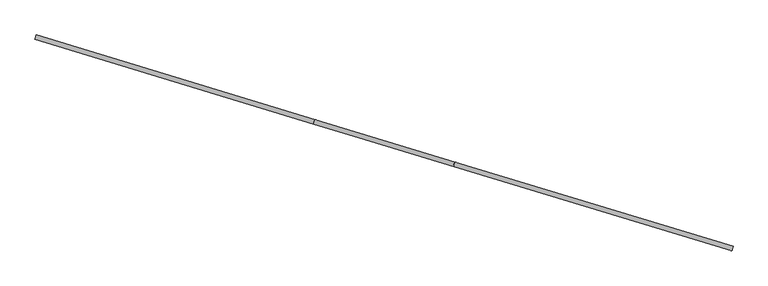
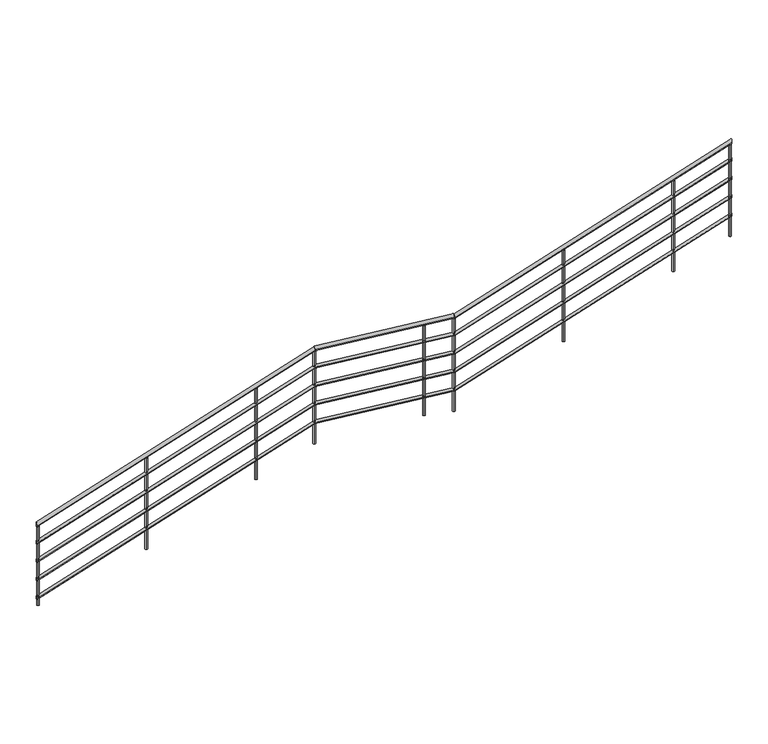
"""IFC4 building model written with IfcOpenShell, lengths in millimetres: railing geometry."""

import ifcopenshell
import ifcopenshell.guid

model = None  # the IFC model being written
_history = None  # IfcOwnerHistory: only IFC2X3 demands one
_inside = {}  # id of a spatial element -> (the spatial element, [elements in it])
_under = {}  # id of a project, library or spatial element -> (it, [spatial elements below it])
_declared = {}  # id of a project -> (the project, [libraries it declares])
_typed = {}  # id of a type object -> (the type object, [elements of that type])
_made_of = {}  # id of a material, layer set ... -> (it, [elements and type objects made of it])


def new_model(schema):
    """Start an empty IFC model of exactly this schema.

    Asked for "IFC4X3", IfcOpenShell would pick the latest addendum, in which some entities
    have other attributes; the version numbers below select the first issue.
    IFC2X3 requires an IfcOwnerHistory on every rooted entity: one is made here for all.
    """
    global model, _history
    if schema == "IFC4X3":
        model = ifcopenshell.file(schema_version=(4, 3, 0, 0))
    else:
        model = ifcopenshell.file(schema=schema)
    _inside.clear()
    _under.clear()
    _declared.clear()
    _typed.clear()
    _made_of.clear()
    _history = None
    if model.schema == "IFC2X3":
        org = make("IfcOrganization", Name="unknown")
        user = make(
            "IfcPersonAndOrganization",
            ThePerson=make("IfcPerson", FamilyName="unknown"),
            TheOrganization=org,
        )
        app = make(
            "IfcApplication",
            ApplicationDeveloper=org,
            Version="unknown",
            ApplicationFullName="unknown",
            ApplicationIdentifier="unknown",
        )
        _history = make(
            "IfcOwnerHistory",
            OwningUser=user,
            OwningApplication=app,
            ChangeAction="ADDED",
            CreationDate=0,
        )
    return model


def make(cls, **values):
    """One entity of the class cls with the attributes given. An attribute that is None is left unset."""
    return model.create_entity(
        cls, **{name: value for name, value in values.items() if value is not None}
    )


def rooted(cls, **values):
    """An entity with a GlobalId (a new one), such as an element, a storey or a relation."""
    return make(cls, GlobalId=ifcopenshell.guid.new(), OwnerHistory=_history, **values)


def si_unit(unit_type, name, prefix=None):
    """IfcSIUnit, for example si_unit("LENGTHUNIT", "METRE", prefix="MILLI")."""
    return make("IfcSIUnit", UnitType=unit_type, Prefix=prefix, Name=name)


def assignment(units):
    """IfcUnitAssignment: the units of a project."""
    return None if units is None else make("IfcUnitAssignment", Units=units)


def point(xyz):
    """IfcCartesianPoint."""
    return None if xyz is None else make("IfcCartesianPoint", Coordinates=xyz)


def direction(xyz):
    """IfcDirection."""
    return None if xyz is None else make("IfcDirection", DirectionRatios=xyz)


def frame(location, z_axis=None, x_axis=None):
    """IfcAxis2Placement3D, a coordinate frame: its origin and axes. An axis left out is left unset."""
    return make(
        "IfcAxis2Placement3D",
        Location=point(location),
        Axis=direction(z_axis),
        RefDirection=direction(x_axis),
    )


def origin():
    """The frame at (0, 0, 0) with its axes left unset."""
    return frame((0.0, 0.0, 0.0))


def place(relative_to, where):
    """IfcLocalPlacement: puts the frame where relative to a parent placement (None: the world)."""
    return make(
        "IfcLocalPlacement", PlacementRelTo=relative_to, RelativePlacement=where
    )


def context(
    kind, dimensions, precision=None, world=None, true_north=None, identifier=None
):
    """IfcGeometricRepresentationContext, for example the 3D "Model" context."""
    return make(
        "IfcGeometricRepresentationContext",
        ContextIdentifier=identifier,
        ContextType=kind,
        CoordinateSpaceDimension=dimensions,
        Precision=precision,
        WorldCoordinateSystem=world,
        TrueNorth=true_north,
    )


def project(units=None, contexts=None):
    """IfcProject with its units and contexts."""
    return rooted(
        "IfcProject",
        Name="project",
        RepresentationContexts=contexts,
        UnitsInContext=assignment(units),
    )


def spatial(cls, under=None, at=None, **own):
    """A site, building, storey or space (cls), placed at a placement, below another one or the project."""
    s = rooted(cls, ObjectPlacement=at, **own)
    if under is not None:
        _under.setdefault(under.id(), (under, []))[1].append(s)
    return s


def circle_curve(where, radius):
    """IfcCircle in the frame where."""
    return make("IfcCircle", Position=where, Radius=radius)


def ellipse_curve(where, semi_axis1, semi_axis2):
    """IfcEllipse in the frame where."""
    return make(
        "IfcEllipse", Position=where, SemiAxis1=semi_axis1, SemiAxis2=semi_axis2
    )


def shape(context_of_items, identifier, shape_type, items):
    """IfcShapeRepresentation: the items that make up one representation, for example the "Body"."""
    return make(
        "IfcShapeRepresentation",
        ContextOfItems=context_of_items,
        RepresentationIdentifier=identifier,
        RepresentationType=shape_type,
        Items=items,
    )


def source(mapping_origin, context_of_items, identifier, shape_type, items):
    """IfcRepresentationMap: a shape defined once, which mapped items show again and again."""
    return make(
        "IfcRepresentationMap",
        MappingOrigin=mapping_origin,
        MappedRepresentation=shape(context_of_items, identifier, shape_type, items),
    )


def transform(
    local_origin,
    x_axis=None,
    y_axis=None,
    z_axis=None,
    scale=None,
    scale2=None,
    scale3=None,
    uniform=True,
):
    """IfcCartesianTransformationOperator3D, or its non-uniform kind. x_axis, y_axis, z_axis: its Axis1, 2, 3."""
    if uniform:
        return make(
            "IfcCartesianTransformationOperator3D",
            Axis1=direction(x_axis),
            Axis2=direction(y_axis),
            LocalOrigin=point(local_origin),
            Scale=scale,
            Axis3=direction(z_axis),
        )
    return make(
        "IfcCartesianTransformationOperator3DnonUniform",
        Axis1=direction(x_axis),
        Axis2=direction(y_axis),
        LocalOrigin=point(local_origin),
        Scale=scale,
        Axis3=direction(z_axis),
        Scale2=scale2,
        Scale3=scale3,
    )


def mapped(mapping_source, mapping_target):
    """IfcMappedItem: shows the shape of a source again, moved by a transform."""
    return make(
        "IfcMappedItem", MappingSource=mapping_source, MappingTarget=mapping_target
    )


def made_of(thing, what):
    """Note that an element or type object is made of a material, layer set ...; save() writes the relation."""
    if what is not None:
        _made_of.setdefault(what.id(), (what, []))[1].append(thing)
    return thing


def element(
    cls,
    number,
    at=None,
    inside=None,
    cuts=None,
    type_object=None,
    material=None,
    context=None,
    identifier="Body",
    shape_type=None,
    held_by="IfcProductDefinitionShape",
    body=None,
    shapes=None,
    **own,
):
    """One element of the class cls, such as IfcWall. Its Tag is "e" and its number.

    at: its placement. inside: the storey or other place that contains it. cuts: it is an
    opening in that element (IfcRelVoidsElement). A single representation is given by context,
    identifier, shape_type and body (its items); several are given by shapes. held_by: the class
    of the entity that holds the representations. save() writes the other relations.
    """
    e = rooted(cls, Tag="e%d" % number, ObjectPlacement=at, **own)
    if body is not None:
        shapes = [shape(context, identifier, shape_type, body)]
    if shapes is not None:
        e.Representation = make(held_by, Representations=shapes)
    if inside is not None:
        _inside.setdefault(inside.id(), (inside, []))[1].append(e)
    if cuts is not None:
        rooted(
            "IfcRelVoidsElement", RelatingBuildingElement=cuts, RelatedOpeningElement=e
        )
    if type_object is not None:
        _typed.setdefault(type_object.id(), (type_object, []))[1].append(e)
    return made_of(e, material)


def aggregate(whole, parts):
    """IfcRelAggregates: a whole, such as a stair, and the parts it consists of."""
    return rooted("IfcRelAggregates", RelatingObject=whole, RelatedObjects=parts)


def save(model, path):
    """Write the relations noted so far, then the file.

    IfcRelAggregates (storeys below a building ...), IfcRelContainedInSpatialStructure (elements
    in a storey), IfcRelDefinesByType, IfcRelAssociatesMaterial and IfcRelDeclares: one each for
    every whole, place, type object, material and project.
    """
    for whole, parts in _under.values():
        aggregate(whole, parts)
    for where, things in _inside.values():
        rooted(
            "IfcRelContainedInSpatialStructure",
            RelatedElements=things,
            RelatingStructure=where,
        )
    for kind, things in _typed.values():
        rooted("IfcRelDefinesByType", RelatedObjects=things, RelatingType=kind)
    for what, things in _made_of.values():
        rooted("IfcRelAssociatesMaterial", RelatedObjects=things, RelatingMaterial=what)
    for by, libraries in _declared.values():
        rooted("IfcRelDeclares", RelatingContext=by, RelatedDefinitions=libraries)
    model.write(path)


def plane_surface(at):
    """IfcPlane: the flat surface through the origin of the frame at, square to its z axis."""
    return make("IfcPlane", Position=at)


def cylinder_surface(at, radius):
    """IfcCylindricalSurface: all points at the distance radius from the z axis of the frame at."""
    return make("IfcCylindricalSurface", Position=at, Radius=radius)


def advanced_brep(points, edges, surfaces, faces):
    """IfcAdvancedBrep: a solid bounded by faces that lie on surfaces and meet in shared edges.

    An edge is (start, end): straight between two places in points (the first is 0);
    or (start, end, curve); or (start, end, curve, False) where it runs against its curve.
    A face is (place in surfaces, loops), or (place, loops, False) where it looks against
    its surface's normal. A loop lists edges by number (the first is 1), with a minus sign
    where the edge is run from its end to its start. The first loop is the outer one.
    """
    corners = [point(p) for p in points]
    vertices = [make("IfcVertexPoint", VertexGeometry=c) for c in corners]
    made = []
    for start, end, *more in edges:
        made.append(
            make(
                "IfcEdgeCurve",
                EdgeStart=vertices[start],
                EdgeEnd=vertices[end],
                EdgeGeometry=more[0] if more else make("IfcPolyline", Points=[corners[start], corners[end]]),
                SameSense=more[1] if len(more) > 1 else True,
            )
        )
    hull = []
    for where, loops, *sense in faces:
        bounds = []
        for j, loop in enumerate(loops):
            ring = [make("IfcOrientedEdge", EdgeElement=made[abs(k) - 1], Orientation=k > 0) for k in loop]
            bounds.append(
                make(
                    "IfcFaceOuterBound" if j == 0 else "IfcFaceBound",
                    Bound=make("IfcEdgeLoop", EdgeList=ring),
                    Orientation=True,
                )
            )
        hull.append(make("IfcAdvancedFace", Bounds=bounds, FaceSurface=surfaces[where], SameSense=sense[0] if sense else True))
    return make("IfcAdvancedBrep", Outer=make("IfcClosedShell", CfsFaces=hull))


def railing_dc6198eb(model_context):
    return source(origin(), model_context, "Body", "AdvancedBrep", [
        advanced_brep(
        [(-3825.4337362, 2800.863721, 1022.1150122), (-3813.8138203, 2839.1387462, 1022.1150122), (-1397.9021377, 2063.8893352, 2525.9994352), (-1386.2822218, 2102.1643604, 2525.9994352)],
        [
            (0, 1, ellipse_curve(frame((-3819.6237783, 2820.0012336, 1022.1150122), z_axis=(-0.9568756296362242, 0.2904978991460692, 0.0), x_axis=(0.0, 0.0, -1.0)), 23.2500045, 20.0)),
            (1, 0, ellipse_curve(frame((-3819.6237783, 2820.0012336, 1022.1150122), z_axis=(-0.9568756296362242, 0.2904978991460692, 0.0), x_axis=(0.0, 0.0, -1.0)), 23.2500045, 20.0)),
            (2, 3, ellipse_curve(frame((-1392.0921798, 2083.0268478, 2525.9994352), z_axis=(0.9063932693106923, -0.275171957963852, 0.32051776066017745), x_axis=(0.3066956340413, -0.09310973611078442, -0.9472425059621137)), 20.4441643, 20.0)),
            (3, 2, ellipse_curve(frame((-1392.0921798, 2083.0268478, 2525.9994352), z_axis=(0.9063932693106923, -0.275171957963852, 0.32051776066017745), x_axis=(0.3066956340413, -0.09310973611078442, -0.9472425059621137)), 20.4441643, 20.0)),
            (0, 2),
            (3, 1),
        ],
        [
            plane_surface(frame((-3819.6237783, 2820.0012336, 1045.3650167), z_axis=(-0.9568756296362242, 0.2904978991460692, 0.0), x_axis=(0.2904978991460692, 0.9568756296362242, 0.0))),
            plane_surface(frame((-1398.3623157, 2084.9303985, 2545.3650167), z_axis=(0.9063932693106925, -0.2751719579638521, 0.3205177606601775), x_axis=(0.42243489598786077, 0.590419998372122, -0.6877157728116964))),
            cylinder_surface(frame((-3809.8649538, 2817.0385518, 1028.1607189), z_axis=(-0.8231186622998938, 0.24989061769390675, -0.5099317081356984), x_axis=(0.2904978991460692, 0.9568756296362241, 0.0)), 20.0),
        ],
        [
            (0, [[1, 2]]),
            (1, [[3, 4]]),
            (2, [[-1, 5, -4, 6]]),
            (2, [[-2, -6, -3, -5]]),
        ],
    ),
        advanced_brep(
        [(-1397.9021377, 2063.8893352, 2529.7118745), (-1386.2822218, 2102.1643604, 2529.7118745), (-181.4283716, 1694.5800305, 2679.7118745), (-169.8084556, 1732.8550557, 2679.7118745)],
        [
            (0, 1, ellipse_curve(frame((-1392.0921798, 2083.0268478, 2529.7118745), z_axis=(-0.9063932693106923, 0.275171957963852, -0.32051776066017745), x_axis=(-0.30669563404130007, 0.09310973611078417, 0.9472425059621139)), 20.4441643, 20.0)),
            (1, 0, ellipse_curve(frame((-1392.0921798, 2083.0268478, 2529.7118745), z_axis=(-0.9063932693106923, 0.275171957963852, -0.32051776066017745), x_axis=(-0.30669563404130007, 0.09310973611078417, 0.9472425059621139)), 20.4441643, 20.0)),
            (2, 3, ellipse_curve(frame((-175.6184136, 1713.7175431, 2679.7118745), z_axis=(0.9063932693106924, -0.27517195796385197, 0.3205177606601775), x_axis=(-0.30669563404129946, 0.09310973611078441, 0.947242505962114)), 20.4441643, 20.0)),
            (3, 2, ellipse_curve(frame((-175.6184136, 1713.7175431, 2679.7118745), z_axis=(0.9063932693106924, -0.27517195796385197, 0.3205177606601775), x_axis=(-0.30669563404129946, 0.09310973611078441, 0.947242505962114)), 20.4441643, 20.0)),
            (0, 2),
            (3, 1),
        ],
        [
            plane_surface(frame((-1398.3623157, 2084.9303985, 2549.0774559), z_axis=(-0.9063932693106925, 0.2751719579638521, -0.3205177606601775), x_axis=(0.42243489598786077, 0.590419998372122, -0.6877157728116964))),
            plane_surface(frame((-181.8885495, 1715.6210938, 2699.0774559), z_axis=(0.9063932693106924, -0.27517195796385197, 0.3205177606601775), x_axis=(0.42243489598786077, 0.590419998372122, -0.6877157728116965))),
            cylinder_surface(frame((-1396.1198422, 2084.2496059, 2529.2152347), z_axis=(-0.9502837746475272, 0.2884966777058075, -0.11717685178549297), x_axis=(0.29049789914606927, 0.9568756296362241, 0.0)), 20.0),
        ],
        [
            (0, [[1, 2]]),
            (1, [[3, 4]]),
            (2, [[-1, 5, -4, 6]]),
            (2, [[-2, -6, -3, -5]]),
        ],
    ),
        advanced_brep(
        [(-181.4283716, 1694.5800305, 2675.9994352), (-169.8084556, 1732.8550557, 2675.9994352), (2233.5629551, 961.4127462, 4172.1150122), (2245.182871, 999.6877713, 4172.1150122)],
        [
            (0, 1, ellipse_curve(frame((-175.6184136, 1713.7175431, 2675.9994352), z_axis=(-0.9063932693106924, 0.27517195796385197, -0.3205177606601775), x_axis=(0.3066956340413009, -0.09310973611078492, -0.9472425059621133)), 20.4441643, 20.0)),
            (1, 0, ellipse_curve(frame((-175.6184136, 1713.7175431, 2675.9994352), z_axis=(-0.9063932693106924, 0.27517195796385197, -0.3205177606601775), x_axis=(0.3066956340413009, -0.09310973611078492, -0.9472425059621133)), 20.4441643, 20.0)),
            (2, 3, ellipse_curve(frame((2239.372913, 980.5502587, 4172.1150122), z_axis=(0.9568756296362242, -0.2904978991460691, 0.0), x_axis=(0.0, 0.0, -1.0)), 23.2500045, 20.0)),
            (3, 2, ellipse_curve(frame((2239.372913, 980.5502587, 4172.1150122), z_axis=(0.9568756296362242, -0.2904978991460691, 0.0), x_axis=(0.0, 0.0, -1.0)), 23.2500045, 20.0)),
            (0, 2),
            (3, 1),
        ],
        [
            plane_surface(frame((-181.8885495, 1715.6210938, 2695.3650167), z_axis=(-0.9063932693106924, 0.27517195796385197, -0.3205177606601775), x_axis=(0.42243489598786077, 0.590419998372122, -0.6877157728116965))),
            plane_surface(frame((2239.372913, 980.5502587, 4195.3650167), z_axis=(0.9568756296362242, -0.2904978991460691, 0.0), x_axis=(0.2904978991460691, 0.9568756296362242, 0.0))),
            cylinder_surface(frame((-172.129725, 1712.658412, 2678.1607189), z_axis=(-0.8231186622998939, 0.24989061769390666, -0.5099317081356983), x_axis=(0.2904978991460691, 0.9568756296362241, 0.0)), 20.0),
        ],
        [
            (0, [[1, 2]]),
            (1, [[3, 4]]),
            (2, [[-1, 5, -4, 6]]),
            (2, [[-2, -6, -3, -5]]),
        ],
    ),
        advanced_brep(
        [(-3823.9812467, 2805.6480992, 827.9275133), (-3815.2663098, 2834.354368, 827.9275133), (-1398.0171822, 2069.149601, 2330.8408306), (-1389.3022452, 2097.8558699, 2330.8408306)],
        [
            (0, 1, ellipse_curve(frame((-3819.6237783, 2820.0012336, 827.9275133), z_axis=(-0.9568756296362242, 0.2904978991460692, 0.0), x_axis=(0.0, 0.0, -1.0)), 17.4375034, 15.0)),
            (1, 0, ellipse_curve(frame((-3819.6237783, 2820.0012336, 827.9275133), z_axis=(-0.9568756296362242, 0.2904978991460692, 0.0), x_axis=(0.0, 0.0, -1.0)), 17.4375034, 15.0)),
            (2, 3, ellipse_curve(frame((-1393.6597137, 2083.5027355, 2330.8408306), z_axis=(0.9063932693106923, -0.275171957963852, 0.32051776066017745), x_axis=(0.3066956340413, -0.09310973611078442, -0.9472425059621137)), 15.3331232, 15.0)),
            (3, 2, ellipse_curve(frame((-1393.6597137, 2083.5027355, 2330.8408306), z_axis=(0.9063932693106923, -0.275171957963852, 0.32051776066017745), x_axis=(0.3066956340413, -0.09310973611078442, -0.9472425059621137)), 15.3331232, 15.0)),
            (0, 2),
            (3, 1),
        ],
        [
            plane_surface(frame((-3819.6237783, 2820.0012336, 845.3650167), z_axis=(-0.9568756296362242, 0.2904978991460692, 0.0), x_axis=(0.2904978991460692, 0.9568756296362242, 0.0))),
            plane_surface(frame((-1398.3623157, 2084.9303985, 2345.3650167), z_axis=(0.9063932693106925, -0.2751719579638521, 0.3205177606601775), x_axis=(0.42243489598786077, 0.590419998372122, -0.6877157728116964))),
            cylinder_surface(frame((-3812.3046599, 2817.7792223, 832.4617933), z_axis=(-0.8231186622998938, 0.24989061769390675, -0.5099317081356984), x_axis=(0.2904978991460692, 0.9568756296362241, 0.0)), 15.0),
        ],
        [
            (0, [[1, 2]]),
            (1, [[3, 4]]),
            (2, [[-1, 5, -4, 6]]),
            (2, [[-2, -6, -3, -5]]),
        ],
    ),
        advanced_brep(
        [(-1398.0171822, 2069.149601, 2334.5532699), (-1389.3022452, 2097.8558699, 2334.5532699), (-181.5434161, 1699.8402963, 2484.5532699), (-172.8284791, 1728.5465652, 2484.5532699)],
        [
            (0, 1, ellipse_curve(frame((-1393.6597137, 2083.5027355, 2334.5532699), z_axis=(-0.9063932693106923, 0.275171957963852, -0.32051776066017745), x_axis=(-0.30669563404130007, 0.09310973611078417, 0.9472425059621139)), 15.3331232, 15.0)),
            (1, 0, ellipse_curve(frame((-1393.6597137, 2083.5027355, 2334.5532699), z_axis=(-0.9063932693106923, 0.275171957963852, -0.32051776066017745), x_axis=(-0.30669563404130007, 0.09310973611078417, 0.9472425059621139)), 15.3331232, 15.0)),
            (2, 3, ellipse_curve(frame((-177.1859476, 1714.1934308, 2484.5532699), z_axis=(0.9063932693106924, -0.27517195796385197, 0.3205177606601775), x_axis=(-0.30669563404129946, 0.09310973611078441, 0.947242505962114)), 15.3331232, 15.0)),
            (3, 2, ellipse_curve(frame((-177.1859476, 1714.1934308, 2484.5532699), z_axis=(0.9063932693106924, -0.27517195796385197, 0.3205177606601775), x_axis=(-0.30669563404129946, 0.09310973611078441, 0.947242505962114)), 15.3331232, 15.0)),
            (0, 2),
            (3, 1),
        ],
        [
            plane_surface(frame((-1398.3623157, 2084.9303985, 2349.0774559), z_axis=(-0.9063932693106925, 0.2751719579638521, -0.3205177606601775), x_axis=(0.42243489598786077, 0.590419998372122, -0.6877157728116964))),
            plane_surface(frame((-181.8885495, 1715.6210938, 2499.0774559), z_axis=(0.9063932693106924, -0.27517195796385197, 0.3205177606601775), x_axis=(0.42243489598786077, 0.590419998372122, -0.6877157728116965))),
            cylinder_surface(frame((-1396.6804606, 2084.4198041, 2334.18079), z_axis=(-0.9502837746475272, 0.2884966777058075, -0.11717685178549297), x_axis=(0.29049789914606927, 0.9568756296362241, 0.0)), 15.0),
        ],
        [
            (0, [[1, 2]]),
            (1, [[3, 4]]),
            (2, [[-1, 5, -4, 6]]),
            (2, [[-2, -6, -3, -5]]),
        ],
    ),
        advanced_brep(
        [(-181.5434161, 1699.8402963, 2480.8408306), (-172.8284791, 1728.5465652, 2480.8408306), (2235.0154445, 966.1971243, 3977.9275133), (2243.7303815, 994.9033932, 3977.9275133)],
        [
            (0, 1, ellipse_curve(frame((-177.1859476, 1714.1934308, 2480.8408306), z_axis=(-0.9063932693106924, 0.27517195796385197, -0.3205177606601775), x_axis=(0.3066956340413009, -0.09310973611078492, -0.9472425059621133)), 15.3331232, 15.0)),
            (1, 0, ellipse_curve(frame((-177.1859476, 1714.1934308, 2480.8408306), z_axis=(-0.9063932693106924, 0.27517195796385197, -0.3205177606601775), x_axis=(0.3066956340413009, -0.09310973611078492, -0.9472425059621133)), 15.3331232, 15.0)),
            (2, 3, ellipse_curve(frame((2239.372913, 980.5502587, 3977.9275133), z_axis=(0.9568756296362242, -0.2904978991460691, 0.0), x_axis=(0.0, 0.0, -1.0)), 17.4375034, 15.0)),
            (3, 2, ellipse_curve(frame((2239.372913, 980.5502587, 3977.9275133), z_axis=(0.9568756296362242, -0.2904978991460691, 0.0), x_axis=(0.0, 0.0, -1.0)), 17.4375034, 15.0)),
            (0, 2),
            (3, 1),
        ],
        [
            plane_surface(frame((-181.8885495, 1715.6210938, 2495.3650167), z_axis=(-0.9063932693106924, 0.27517195796385197, -0.3205177606601775), x_axis=(0.42243489598786077, 0.590419998372122, -0.6877157728116965))),
            plane_surface(frame((2239.372913, 980.5502587, 3995.3650167), z_axis=(0.9568756296362242, -0.2904978991460691, 0.0), x_axis=(0.2904978991460691, 0.9568756296362242, 0.0))),
            cylinder_surface(frame((-174.5694312, 1713.3990825, 2482.4617933), z_axis=(-0.8231186622998939, 0.24989061769390666, -0.5099317081356983), x_axis=(0.2904978991460691, 0.9568756296362241, 0.0)), 15.0),
        ],
        [
            (0, [[1, 2]]),
            (1, [[3, 4]]),
            (2, [[-1, 5, -4, 6]]),
            (2, [[-2, -6, -3, -5]]),
        ],
    ),
        advanced_brep(
        [(-3823.9812467, 2805.6480992, 627.9275133), (-3815.2663098, 2834.354368, 627.9275133), (-1398.0171822, 2069.149601, 2130.8408306), (-1389.3022452, 2097.8558699, 2130.8408306)],
        [
            (0, 1, ellipse_curve(frame((-3819.6237783, 2820.0012336, 627.9275133), z_axis=(-0.9568756296362242, 0.2904978991460692, 0.0), x_axis=(0.0, 0.0, -1.0)), 17.4375034, 15.0)),
            (1, 0, ellipse_curve(frame((-3819.6237783, 2820.0012336, 627.9275133), z_axis=(-0.9568756296362242, 0.2904978991460692, 0.0), x_axis=(0.0, 0.0, -1.0)), 17.4375034, 15.0)),
            (2, 3, ellipse_curve(frame((-1393.6597137, 2083.5027355, 2130.8408306), z_axis=(0.9063932693106924, -0.2751719579638521, 0.3205177606601775), x_axis=(0.3066956340413005, -0.09310973611078467, -0.9472425059621135)), 15.3331232, 15.0)),
            (3, 2, ellipse_curve(frame((-1393.6597137, 2083.5027355, 2130.8408306), z_axis=(0.9063932693106924, -0.2751719579638521, 0.3205177606601775), x_axis=(0.3066956340413005, -0.09310973611078467, -0.9472425059621135)), 15.3331232, 15.0)),
            (0, 2),
            (3, 1),
        ],
        [
            plane_surface(frame((-3819.6237783, 2820.0012336, 645.3650167), z_axis=(-0.9568756296362242, 0.2904978991460692, 0.0), x_axis=(0.2904978991460692, 0.9568756296362242, 0.0))),
            plane_surface(frame((-1398.3623157, 2084.9303985, 2145.3650167), z_axis=(0.9063932693106924, -0.2751719579638521, 0.3205177606601775), x_axis=(0.4224348959878608, 0.5904199983721219, -0.6877157728116964))),
            cylinder_surface(frame((-3812.3046599, 2817.7792223, 632.4617933), z_axis=(-0.8231186622998938, 0.24989061769390675, -0.5099317081356985), x_axis=(0.2904978991460692, 0.9568756296362241, 0.0)), 15.0),
        ],
        [
            (0, [[1, 2]]),
            (1, [[3, 4]]),
            (2, [[-1, 5, -4, 6]]),
            (2, [[-2, -6, -3, -5]]),
        ],
    ),
        advanced_brep(
        [(-1398.0171822, 2069.149601, 2134.5532699), (-1389.3022452, 2097.8558699, 2134.5532699), (-181.5434161, 1699.8402963, 2284.5532699), (-172.8284791, 1728.5465652, 2284.5532699)],
        [
            (0, 1, ellipse_curve(frame((-1393.6597137, 2083.5027355, 2134.5532699), z_axis=(-0.9063932693106924, 0.2751719579638521, -0.3205177606601775), x_axis=(-0.30669563404129946, 0.09310973611078387, 0.947242505962114)), 15.3331232, 15.0)),
            (1, 0, ellipse_curve(frame((-1393.6597137, 2083.5027355, 2134.5532699), z_axis=(-0.9063932693106924, 0.2751719579638521, -0.3205177606601775), x_axis=(-0.30669563404129946, 0.09310973611078387, 0.947242505962114)), 15.3331232, 15.0)),
            (2, 3, ellipse_curve(frame((-177.1859476, 1714.1934308, 2284.5532699), z_axis=(0.9063932693106925, -0.275171957963852, 0.32051776066017745), x_axis=(-0.30669563404129846, 0.0931097361107839, 0.9472425059621143)), 15.3331232, 15.0)),
            (3, 2, ellipse_curve(frame((-177.1859476, 1714.1934308, 2284.5532699), z_axis=(0.9063932693106925, -0.275171957963852, 0.32051776066017745), x_axis=(-0.30669563404129846, 0.0931097361107839, 0.9472425059621143)), 15.3331232, 15.0)),
            (0, 2),
            (3, 1),
        ],
        [
            plane_surface(frame((-1398.3623157, 2084.9303985, 2149.0774559), z_axis=(-0.9063932693106924, 0.2751719579638521, -0.3205177606601775), x_axis=(0.4224348959878608, 0.5904199983721219, -0.6877157728116964))),
            plane_surface(frame((-181.8885495, 1715.6210938, 2299.0774559), z_axis=(0.9063932693106925, -0.275171957963852, 0.32051776066017745), x_axis=(0.4224348959878607, 0.590419998372122, -0.6877157728116965))),
            cylinder_surface(frame((-1396.6804606, 2084.4198041, 2134.18079), z_axis=(-0.9502837746475272, 0.2884966777058075, -0.11717685178549297), x_axis=(0.29049789914606927, 0.9568756296362241, 0.0)), 15.0),
        ],
        [
            (0, [[1, 2]]),
            (1, [[3, 4]]),
            (2, [[-1, 5, -4, 6]]),
            (2, [[-2, -6, -3, -5]]),
        ],
    ),
        advanced_brep(
        [(-181.5434161, 1699.8402963, 2280.8408306), (-172.8284791, 1728.5465652, 2280.8408306), (2235.0154445, 966.1971243, 3777.9275133), (2243.7303815, 994.9033932, 3777.9275133)],
        [
            (0, 1, ellipse_curve(frame((-177.1859476, 1714.1934308, 2280.8408306), z_axis=(-0.9063932693106925, 0.275171957963852, -0.32051776066017745), x_axis=(0.3066956340413009, -0.09310973611078492, -0.9472425059621133)), 15.3331232, 15.0)),
            (1, 0, ellipse_curve(frame((-177.1859476, 1714.1934308, 2280.8408306), z_axis=(-0.9063932693106925, 0.275171957963852, -0.32051776066017745), x_axis=(0.3066956340413009, -0.09310973611078492, -0.9472425059621133)), 15.3331232, 15.0)),
            (2, 3, ellipse_curve(frame((2239.372913, 980.5502587, 3777.9275133), z_axis=(0.9568756296362242, -0.2904978991460691, 0.0), x_axis=(0.0, 0.0, -1.0)), 17.4375034, 15.0)),
            (3, 2, ellipse_curve(frame((2239.372913, 980.5502587, 3777.9275133), z_axis=(0.9568756296362242, -0.2904978991460691, 0.0), x_axis=(0.0, 0.0, -1.0)), 17.4375034, 15.0)),
            (0, 2),
            (3, 1),
        ],
        [
            plane_surface(frame((-181.8885495, 1715.6210938, 2295.3650167), z_axis=(-0.9063932693106925, 0.275171957963852, -0.32051776066017745), x_axis=(0.4224348959878607, 0.590419998372122, -0.6877157728116965))),
            plane_surface(frame((2239.372913, 980.5502587, 3795.3650167), z_axis=(0.9568756296362242, -0.2904978991460691, 0.0), x_axis=(0.2904978991460691, 0.9568756296362242, 0.0))),
            cylinder_surface(frame((-174.5694312, 1713.3990825, 2282.4617933), z_axis=(-0.8231186622998939, 0.24989061769390666, -0.5099317081356982), x_axis=(0.2904978991460691, 0.9568756296362241, 0.0)), 15.0),
        ],
        [
            (0, [[1, 2]]),
            (1, [[3, 4]]),
            (2, [[-1, 5, -4, 6]]),
            (2, [[-2, -6, -3, -5]]),
        ],
    ),
        advanced_brep(
        [(-3823.9812467, 2805.6480992, 427.9275133), (-3815.2663098, 2834.354368, 427.9275133), (-1398.0171822, 2069.149601, 1930.8408306), (-1389.3022452, 2097.8558699, 1930.8408306)],
        [
            (0, 1, ellipse_curve(frame((-3819.6237783, 2820.0012336, 427.9275133), z_axis=(-0.9568756296362242, 0.2904978991460692, 0.0), x_axis=(0.0, 0.0, -1.0)), 17.4375034, 15.0)),
            (1, 0, ellipse_curve(frame((-3819.6237783, 2820.0012336, 427.9275133), z_axis=(-0.9568756296362242, 0.2904978991460692, 0.0), x_axis=(0.0, 0.0, -1.0)), 17.4375034, 15.0)),
            (2, 3, ellipse_curve(frame((-1393.6597137, 2083.5027355, 1930.8408306), z_axis=(0.9063932693106924, -0.2751719579638521, 0.3205177606601775), x_axis=(0.3066956340413005, -0.09310973611078467, -0.9472425059621135)), 15.3331232, 15.0)),
            (3, 2, ellipse_curve(frame((-1393.6597137, 2083.5027355, 1930.8408306), z_axis=(0.9063932693106924, -0.2751719579638521, 0.3205177606601775), x_axis=(0.3066956340413005, -0.09310973611078467, -0.9472425059621135)), 15.3331232, 15.0)),
            (0, 2),
            (3, 1),
        ],
        [
            plane_surface(frame((-3819.6237783, 2820.0012336, 445.3650167), z_axis=(-0.9568756296362242, 0.2904978991460692, 0.0), x_axis=(0.2904978991460692, 0.9568756296362242, 0.0))),
            plane_surface(frame((-1398.3623157, 2084.9303985, 1945.3650167), z_axis=(0.9063932693106924, -0.2751719579638521, 0.3205177606601775), x_axis=(0.4224348959878608, 0.5904199983721219, -0.6877157728116964))),
            cylinder_surface(frame((-3812.3046599, 2817.7792223, 432.4617933), z_axis=(-0.8231186622998938, 0.24989061769390675, -0.5099317081356985), x_axis=(0.2904978991460692, 0.9568756296362241, 0.0)), 15.0),
        ],
        [
            (0, [[1, 2]]),
            (1, [[3, 4]]),
            (2, [[-1, 5, -4, 6]]),
            (2, [[-2, -6, -3, -5]]),
        ],
    ),
        advanced_brep(
        [(-1398.0171822, 2069.149601, 1934.5532699), (-1389.3022452, 2097.8558699, 1934.5532699), (-181.5434161, 1699.8402963, 2084.5532699), (-172.8284791, 1728.5465652, 2084.5532699)],
        [
            (0, 1, ellipse_curve(frame((-1393.6597137, 2083.5027355, 1934.5532699), z_axis=(-0.9063932693106924, 0.2751719579638521, -0.3205177606601775), x_axis=(-0.30669563404129946, 0.09310973611078387, 0.947242505962114)), 15.3331232, 15.0)),
            (1, 0, ellipse_curve(frame((-1393.6597137, 2083.5027355, 1934.5532699), z_axis=(-0.9063932693106924, 0.2751719579638521, -0.3205177606601775), x_axis=(-0.30669563404129946, 0.09310973611078387, 0.947242505962114)), 15.3331232, 15.0)),
            (2, 3, ellipse_curve(frame((-177.1859476, 1714.1934308, 2084.5532699), z_axis=(0.9063932693106925, -0.275171957963852, 0.32051776066017745), x_axis=(-0.30669563404129846, 0.0931097361107839, 0.9472425059621143)), 15.3331232, 15.0)),
            (3, 2, ellipse_curve(frame((-177.1859476, 1714.1934308, 2084.5532699), z_axis=(0.9063932693106925, -0.275171957963852, 0.32051776066017745), x_axis=(-0.30669563404129846, 0.0931097361107839, 0.9472425059621143)), 15.3331232, 15.0)),
            (0, 2),
            (3, 1),
        ],
        [
            plane_surface(frame((-1398.3623157, 2084.9303985, 1949.0774559), z_axis=(-0.9063932693106924, 0.2751719579638521, -0.3205177606601775), x_axis=(0.4224348959878608, 0.5904199983721219, -0.6877157728116964))),
            plane_surface(frame((-181.8885495, 1715.6210938, 2099.0774559), z_axis=(0.9063932693106925, -0.275171957963852, 0.32051776066017745), x_axis=(0.4224348959878607, 0.590419998372122, -0.6877157728116965))),
            cylinder_surface(frame((-1396.6804606, 2084.4198041, 1934.18079), z_axis=(-0.9502837746475272, 0.2884966777058075, -0.11717685178549297), x_axis=(0.29049789914606927, 0.9568756296362241, 0.0)), 15.0),
        ],
        [
            (0, [[1, 2]]),
            (1, [[3, 4]]),
            (2, [[-1, 5, -4, 6]]),
            (2, [[-2, -6, -3, -5]]),
        ],
    ),
        advanced_brep(
        [(-181.5434161, 1699.8402963, 2080.8408306), (-172.8284791, 1728.5465652, 2080.8408306), (2235.0154445, 966.1971243, 3577.9275133), (2243.7303815, 994.9033932, 3577.9275133)],
        [
            (0, 1, ellipse_curve(frame((-177.1859476, 1714.1934308, 2080.8408306), z_axis=(-0.9063932693106925, 0.275171957963852, -0.32051776066017745), x_axis=(0.3066956340413009, -0.09310973611078492, -0.9472425059621133)), 15.3331232, 15.0)),
            (1, 0, ellipse_curve(frame((-177.1859476, 1714.1934308, 2080.8408306), z_axis=(-0.9063932693106925, 0.275171957963852, -0.32051776066017745), x_axis=(0.3066956340413009, -0.09310973611078492, -0.9472425059621133)), 15.3331232, 15.0)),
            (2, 3, ellipse_curve(frame((2239.372913, 980.5502587, 3577.9275133), z_axis=(0.9568756296362242, -0.2904978991460691, 0.0), x_axis=(0.0, 0.0, -1.0)), 17.4375034, 15.0)),
            (3, 2, ellipse_curve(frame((2239.372913, 980.5502587, 3577.9275133), z_axis=(0.9568756296362242, -0.2904978991460691, 0.0), x_axis=(0.0, 0.0, -1.0)), 17.4375034, 15.0)),
            (0, 2),
            (3, 1),
        ],
        [
            plane_surface(frame((-181.8885495, 1715.6210938, 2095.3650167), z_axis=(-0.9063932693106925, 0.275171957963852, -0.32051776066017745), x_axis=(0.4224348959878607, 0.590419998372122, -0.6877157728116965))),
            plane_surface(frame((2239.372913, 980.5502587, 3595.3650167), z_axis=(0.9568756296362242, -0.2904978991460691, 0.0), x_axis=(0.2904978991460691, 0.9568756296362242, 0.0))),
            cylinder_surface(frame((-174.5694312, 1713.3990825, 2082.4617933), z_axis=(-0.8231186622998939, 0.24989061769390666, -0.5099317081356982), x_axis=(0.2904978991460691, 0.9568756296362241, 0.0)), 15.0),
        ],
        [
            (0, [[1, 2]]),
            (1, [[3, 4]]),
            (2, [[-1, 5, -4, 6]]),
            (2, [[-2, -6, -3, -5]]),
        ],
    ),
        advanced_brep(
        [(-3823.9812467, 2805.6480992, 227.9275133), (-3815.2663098, 2834.354368, 227.9275133), (-1398.0171822, 2069.149601, 1730.8408306), (-1389.3022452, 2097.8558699, 1730.8408306)],
        [
            (0, 1, ellipse_curve(frame((-3819.6237783, 2820.0012336, 227.9275133), z_axis=(-0.9568756296362242, 0.2904978991460692, 0.0), x_axis=(0.0, 0.0, -1.0)), 17.4375034, 15.0)),
            (1, 0, ellipse_curve(frame((-3819.6237783, 2820.0012336, 227.9275133), z_axis=(-0.9568756296362242, 0.2904978991460692, 0.0), x_axis=(0.0, 0.0, -1.0)), 17.4375034, 15.0)),
            (2, 3, ellipse_curve(frame((-1393.6597137, 2083.5027355, 1730.8408306), z_axis=(0.9063932693106924, -0.2751719579638521, 0.3205177606601775), x_axis=(0.3066956340413005, -0.09310973611078467, -0.9472425059621135)), 15.3331232, 15.0)),
            (3, 2, ellipse_curve(frame((-1393.6597137, 2083.5027355, 1730.8408306), z_axis=(0.9063932693106924, -0.2751719579638521, 0.3205177606601775), x_axis=(0.3066956340413005, -0.09310973611078467, -0.9472425059621135)), 15.3331232, 15.0)),
            (0, 2),
            (3, 1),
        ],
        [
            plane_surface(frame((-3819.6237783, 2820.0012336, 245.3650167), z_axis=(-0.9568756296362242, 0.2904978991460692, 0.0), x_axis=(0.2904978991460692, 0.9568756296362242, 0.0))),
            plane_surface(frame((-1398.3623157, 2084.9303985, 1745.3650167), z_axis=(0.9063932693106924, -0.2751719579638521, 0.3205177606601775), x_axis=(0.4224348959878608, 0.5904199983721219, -0.6877157728116964))),
            cylinder_surface(frame((-3812.3046599, 2817.7792223, 232.4617933), z_axis=(-0.8231186622998938, 0.24989061769390675, -0.5099317081356985), x_axis=(0.2904978991460692, 0.9568756296362241, 0.0)), 15.0),
        ],
        [
            (0, [[1, 2]]),
            (1, [[3, 4]]),
            (2, [[-1, 5, -4, 6]]),
            (2, [[-2, -6, -3, -5]]),
        ],
    ),
        advanced_brep(
        [(-1398.0171822, 2069.149601, 1734.5532699), (-1389.3022452, 2097.8558699, 1734.5532699), (-181.5434161, 1699.8402963, 1884.5532699), (-172.8284791, 1728.5465652, 1884.5532699)],
        [
            (0, 1, ellipse_curve(frame((-1393.6597137, 2083.5027355, 1734.5532699), z_axis=(-0.9063932693106924, 0.2751719579638521, -0.3205177606601775), x_axis=(-0.30669563404129946, 0.09310973611078387, 0.947242505962114)), 15.3331232, 15.0)),
            (1, 0, ellipse_curve(frame((-1393.6597137, 2083.5027355, 1734.5532699), z_axis=(-0.9063932693106924, 0.2751719579638521, -0.3205177606601775), x_axis=(-0.30669563404129946, 0.09310973611078387, 0.947242505962114)), 15.3331232, 15.0)),
            (2, 3, ellipse_curve(frame((-177.1859476, 1714.1934308, 1884.5532699), z_axis=(0.9063932693106925, -0.275171957963852, 0.32051776066017745), x_axis=(-0.30669563404129846, 0.0931097361107839, 0.9472425059621143)), 15.3331232, 15.0)),
            (3, 2, ellipse_curve(frame((-177.1859476, 1714.1934308, 1884.5532699), z_axis=(0.9063932693106925, -0.275171957963852, 0.32051776066017745), x_axis=(-0.30669563404129846, 0.0931097361107839, 0.9472425059621143)), 15.3331232, 15.0)),
            (0, 2),
            (3, 1),
        ],
        [
            plane_surface(frame((-1398.3623157, 2084.9303985, 1749.0774559), z_axis=(-0.9063932693106924, 0.2751719579638521, -0.3205177606601775), x_axis=(0.4224348959878608, 0.5904199983721219, -0.6877157728116964))),
            plane_surface(frame((-181.8885495, 1715.6210938, 1899.0774559), z_axis=(0.9063932693106925, -0.275171957963852, 0.32051776066017745), x_axis=(0.4224348959878607, 0.590419998372122, -0.6877157728116965))),
            cylinder_surface(frame((-1396.6804606, 2084.4198041, 1734.18079), z_axis=(-0.9502837746475272, 0.2884966777058075, -0.11717685178549297), x_axis=(0.29049789914606927, 0.9568756296362241, 0.0)), 15.0),
        ],
        [
            (0, [[1, 2]]),
            (1, [[3, 4]]),
            (2, [[-1, 5, -4, 6]]),
            (2, [[-2, -6, -3, -5]]),
        ],
    ),
        advanced_brep(
        [(-181.5434161, 1699.8402963, 1880.8408306), (-172.8284791, 1728.5465652, 1880.8408306), (2235.0154445, 966.1971243, 3377.9275133), (2243.7303815, 994.9033932, 3377.9275133)],
        [
            (0, 1, ellipse_curve(frame((-177.1859476, 1714.1934308, 1880.8408306), z_axis=(-0.9063932693106925, 0.275171957963852, -0.32051776066017745), x_axis=(0.3066956340413009, -0.09310973611078492, -0.9472425059621133)), 15.3331232, 15.0)),
            (1, 0, ellipse_curve(frame((-177.1859476, 1714.1934308, 1880.8408306), z_axis=(-0.9063932693106925, 0.275171957963852, -0.32051776066017745), x_axis=(0.3066956340413009, -0.09310973611078492, -0.9472425059621133)), 15.3331232, 15.0)),
            (2, 3, ellipse_curve(frame((2239.372913, 980.5502587, 3377.9275133), z_axis=(0.9568756296362242, -0.2904978991460691, 0.0), x_axis=(0.0, 0.0, -1.0)), 17.4375034, 15.0)),
            (3, 2, ellipse_curve(frame((2239.372913, 980.5502587, 3377.9275133), z_axis=(0.9568756296362242, -0.2904978991460691, 0.0), x_axis=(0.0, 0.0, -1.0)), 17.4375034, 15.0)),
            (0, 2),
            (3, 1),
        ],
        [
            plane_surface(frame((-181.8885495, 1715.6210938, 1895.3650167), z_axis=(-0.9063932693106925, 0.275171957963852, -0.32051776066017745), x_axis=(0.4224348959878607, 0.590419998372122, -0.6877157728116965))),
            plane_surface(frame((2239.372913, 980.5502587, 3395.3650167), z_axis=(0.9568756296362242, -0.2904978991460691, 0.0), x_axis=(0.2904978991460691, 0.9568756296362242, 0.0))),
            cylinder_surface(frame((-174.5694312, 1713.3990825, 1882.4617933), z_axis=(-0.8231186622998939, 0.24989061769390666, -0.5099317081356982), x_axis=(0.2904978991460691, 0.9568756296362241, 0.0)), 15.0),
        ],
        [
            (0, [[1, 2]]),
            (1, [[3, 4]]),
            (2, [[-1, 5, -4, 6]]),
            (2, [[-2, -6, -3, -5]]),
        ],
    ),
        advanced_brep(
        [(1735.4939335, 1146.5862409, 3834.456458), (1728.231486, 1122.6643502, 3834.456458), (1728.231486, 1122.6643502, 2850.0), (1735.4939335, 1146.5862409, 2850.0)],
        [
            (0, 1, ellipse_curve(frame((1731.8627097, 1134.6252955, 3834.456458), z_axis=(0.4879412242938209, -0.1481340899213866, -0.8602148877099314), x_axis=(0.8231186622998945, -0.2498906176939068, 0.5099317081356974)), 14.5312528, 12.5)),
            (1, 2),
            (2, 3, circle_curve(frame((1731.8627097, 1134.6252955, 2850.0), z_axis=(0.0, 0.0, 1.0), x_axis=(-0.2904978991460691, -0.9568756296362242, 0.0)), 12.5)),
            (3, 0),
            (3, 2, circle_curve(frame((1731.8627097, 1134.6252955, 2850.0), z_axis=(0.0, 0.0, 1.0), x_axis=(-0.2904978991460691, -0.9568756296362242, 0.0)), 12.5)),
            (1, 0, ellipse_curve(frame((1731.8627097, 1134.6252955, 3834.456458), z_axis=(0.4879412242938209, -0.1481340899213866, -0.8602148877099314), x_axis=(0.8231186622998945, -0.2498906176939068, 0.5099317081356974)), 14.5312528, 12.5)),
        ],
        [
            cylinder_surface(frame((1731.8627097, 1134.6252955, 2750.0), z_axis=(0.0, 0.0, 1.0), x_axis=(-0.2904978991460691, -0.9568756296362242, 0.0)), 12.5),
            plane_surface(frame((1748.522153, 1103.4409573, 3849.2763511), z_axis=(-0.4879412242938209, 0.1481340899213866, 0.8602148877099314), x_axis=(0.2904978991460691, 0.9568756296362242, 0.0))),
            plane_surface(frame((1700.6783715, 1117.9658523, 2850.0), z_axis=(0.0, 0.0, -1.0), x_axis=(0.2904978991460691, 0.9568756296362242, 0.0))),
        ],
        [
            (0, [[1, 2, 3, 4]]),
            (0, [[5, -2, 6, -4]]),
            (1, [[-6, -1]]),
            (2, [[-5, -3]]),
        ],
    ),
        advanced_brep(
        [(778.6183038, 1437.0841401, 3241.6607328), (771.3558564, 1413.1622493, 3241.6607328), (771.3558564, 1413.1622493, 2250.0), (778.6183038, 1437.0841401, 2250.0)],
        [
            (0, 1, ellipse_curve(frame((774.9870801, 1425.1231947, 3241.6607328), z_axis=(0.4879412242938209, -0.1481340899213866, -0.8602148877099314), x_axis=(0.8231186622998945, -0.2498906176939068, 0.5099317081356974)), 14.5312528, 12.5)),
            (1, 2),
            (2, 3, circle_curve(frame((774.9870801, 1425.1231947, 2250.0), z_axis=(0.0, 0.0, 1.0), x_axis=(-0.2904978991460691, -0.9568756296362242, 0.0)), 12.5)),
            (3, 0),
            (3, 2, circle_curve(frame((774.9870801, 1425.1231947, 2250.0), z_axis=(0.0, 0.0, 1.0), x_axis=(-0.2904978991460691, -0.9568756296362242, 0.0)), 12.5)),
            (1, 0, ellipse_curve(frame((774.9870801, 1425.1231947, 3241.6607328), z_axis=(0.4879412242938209, -0.1481340899213866, -0.8602148877099314), x_axis=(0.8231186622998945, -0.2498906176939068, 0.5099317081356974)), 14.5312528, 12.5)),
        ],
        [
            cylinder_surface(frame((774.9870801, 1425.1231947, 2150.0), z_axis=(0.0, 0.0, 1.0), x_axis=(-0.2904978991460691, -0.9568756296362242, 0.0)), 12.5),
            plane_surface(frame((791.6465234, 1393.9388565, 3256.4806259), z_axis=(-0.4879412242938209, 0.1481340899213866, 0.8602148877099314), x_axis=(0.2904978991460691, 0.9568756296362242, 0.0))),
            plane_surface(frame((743.8027419, 1408.4637514, 2250.0), z_axis=(0.0, 0.0, -1.0), x_axis=(0.2904978991460691, 0.9568756296362242, 0.0))),
        ],
        [
            (0, [[1, 2, 3, 4]]),
            (0, [[5, -2, 6, -4]]),
            (1, [[-6, -1]]),
            (2, [[-5, -3]]),
        ],
    ),
        advanced_brep(
        [(-437.8554623, 1806.3934447, 2626.7896621), (-445.1179098, 1782.471554, 2626.7896621), (-445.1179098, 1782.471554, 1650.0), (-437.8554623, 1806.3934447, 1650.0)],
        [
            (0, 1, ellipse_curve(frame((-441.486686, 1794.4324994, 2626.7896621), z_axis=(0.11212367383103336, -0.034039629272235784, -0.993111063983098), x_axis=(0.9502837746475274, -0.28849667770580734, 0.11717685178549024)), 12.586709, 12.5)),
            (1, 2),
            (2, 3, circle_curve(frame((-441.486686, 1794.4324994, 1650.0), z_axis=(0.0, 0.0, 1.0), x_axis=(-0.290497899146069, -0.9568756296362241, 0.0)), 12.5)),
            (3, 0),
            (3, 2, circle_curve(frame((-441.486686, 1794.4324994, 1650.0), z_axis=(0.0, 0.0, 1.0), x_axis=(-0.290497899146069, -0.9568756296362241, 0.0)), 12.5)),
            (1, 0, ellipse_curve(frame((-441.486686, 1794.4324994, 2626.7896621), z_axis=(0.11212367383103336, -0.034039629272235784, -0.993111063983098), x_axis=(0.9502837746475274, -0.28849667770580734, 0.11717685178549024)), 12.586709, 12.5)),
        ],
        [
            cylinder_surface(frame((-441.486686, 1794.4324994, 1550.0), z_axis=(0.0, 0.0, 1.0), x_axis=(-0.290497899146069, -0.9568756296362241, 0.0)), 12.5),
            plane_surface(frame((-424.8272428, 1763.2481611, 2629.739404), z_axis=(-0.11212367383103336, 0.034039629272235784, 0.993111063983098), x_axis=(0.290497899146069, 0.9568756296362241, 0.0))),
            plane_surface(frame((-472.6710243, 1777.7730561, 1650.0), z_axis=(0.0, 0.0, -1.0), x_axis=(0.290497899146069, 0.9568756296362241, 0.0))),
        ],
        [
            (0, [[1, 2, 3, 4]]),
            (0, [[5, -2, 6, -4]]),
            (1, [[-6, -1]]),
            (2, [[-5, -3]]),
        ],
    ),
        advanced_brep(
        [(-1902.2412952, 2250.9663807, 2184.456458), (-1909.5037427, 2227.0444899, 2184.456458), (-1909.5037427, 2227.0444899, 1200.0), (-1902.2412952, 2250.9663807, 1200.0)],
        [
            (0, 1, ellipse_curve(frame((-1905.872519, 2239.0054353, 2184.456458), z_axis=(0.48794122429382086, -0.14813408992138663, -0.8602148877099314), x_axis=(0.8231186622998944, -0.24989061769390686, 0.5099317081356974)), 14.5312528, 12.5)),
            (1, 2),
            (2, 3, circle_curve(frame((-1905.872519, 2239.0054353, 1200.0), z_axis=(0.0, 0.0, 1.0), x_axis=(-0.29049789914606916, -0.9568756296362241, 0.0)), 12.5)),
            (3, 0),
            (3, 2, circle_curve(frame((-1905.872519, 2239.0054353, 1200.0), z_axis=(0.0, 0.0, 1.0), x_axis=(-0.29049789914606916, -0.9568756296362241, 0.0)), 12.5)),
            (1, 0, ellipse_curve(frame((-1905.872519, 2239.0054353, 2184.456458), z_axis=(0.48794122429382086, -0.14813408992138663, -0.8602148877099314), x_axis=(0.8231186622998944, -0.24989061769390686, 0.5099317081356974)), 14.5312528, 12.5)),
        ],
        [
            cylinder_surface(frame((-1905.872519, 2239.0054353, 1100.0), z_axis=(0.0, 0.0, 1.0), x_axis=(-0.29049789914606916, -0.9568756296362241, 0.0)), 12.5),
            plane_surface(frame((-1889.2130757, 2207.8210971, 2199.2763511), z_axis=(-0.48794122429382086, 0.14813408992138663, 0.8602148877099314), x_axis=(0.29049789914606916, 0.9568756296362241, 0.0))),
            plane_surface(frame((-1937.0568572, 2222.345992, 1200.0), z_axis=(0.0, 0.0, -1.0), x_axis=(0.29049789914606916, 0.9568756296362241, 0.0))),
        ],
        [
            (0, [[1, 2, 3, 4]]),
            (0, [[5, -2, 6, -4]]),
            (1, [[-6, -1]]),
            (2, [[-5, -3]]),
        ],
    ),
        advanced_brep(
        [(-2859.1169249, 2541.4642798, 1591.6607328), (-2866.3793724, 2517.5423891, 1591.6607328), (-2866.3793724, 2517.5423891, 600.0), (-2859.1169249, 2541.4642798, 600.0)],
        [
            (0, 1, ellipse_curve(frame((-2862.7481486, 2529.5033345, 1591.6607328), z_axis=(0.48794122429382086, -0.14813408992138663, -0.8602148877099314), x_axis=(0.8231186622998944, -0.24989061769390686, 0.5099317081356974)), 14.5312528, 12.5)),
            (1, 2),
            (2, 3, circle_curve(frame((-2862.7481486, 2529.5033345, 600.0), z_axis=(0.0, 0.0, 1.0), x_axis=(-0.29049789914606916, -0.9568756296362241, 0.0)), 12.5)),
            (3, 0),
            (3, 2, circle_curve(frame((-2862.7481486, 2529.5033345, 600.0), z_axis=(0.0, 0.0, 1.0), x_axis=(-0.29049789914606916, -0.9568756296362241, 0.0)), 12.5)),
            (1, 0, ellipse_curve(frame((-2862.7481486, 2529.5033345, 1591.6607328), z_axis=(0.48794122429382086, -0.14813408992138663, -0.8602148877099314), x_axis=(0.8231186622998944, -0.24989061769390686, 0.5099317081356974)), 14.5312528, 12.5)),
        ],
        [
            cylinder_surface(frame((-2862.7481486, 2529.5033345, 500.0), z_axis=(0.0, 0.0, 1.0), x_axis=(-0.29049789914606916, -0.9568756296362241, 0.0)), 12.5),
            plane_surface(frame((-2846.0887054, 2498.3189962, 1606.4806259), z_axis=(-0.48794122429382086, 0.14813408992138663, 0.8602148877099314), x_axis=(0.29049789914606916, 0.9568756296362241, 0.0))),
            plane_surface(frame((-2893.9324868, 2512.8438912, 600.0), z_axis=(0.0, 0.0, -1.0), x_axis=(0.29049789914606916, 0.9568756296362241, 0.0))),
        ],
        [
            (0, [[1, 2, 3, 4]]),
            (0, [[5, -2, 6, -4]]),
            (1, [[-6, -1]]),
            (2, [[-5, -3]]),
        ],
    ),
        advanced_brep(
        [(-178.2573258, 1727.5820392, 2658.799987), (-185.5197733, 1703.6601485, 2658.799987), (-185.5197733, 1703.6601485, 1650.0), (-178.2573258, 1727.5820392, 1650.0)],
        [
            (0, 1, ellipse_curve(frame((-181.8885495, 1715.6210938, 2658.799987), z_axis=(0.11212367383103336, -0.034039629272235784, -0.993111063983098), x_axis=(0.9502837746475274, -0.28849667770580734, 0.11717685178549024)), 12.586709, 12.5)),
            (1, 2),
            (2, 3, circle_curve(frame((-181.8885495, 1715.6210938, 1650.0), z_axis=(0.0, 0.0, 1.0), x_axis=(-0.290497899146069, -0.9568756296362241, 0.0)), 12.5)),
            (3, 0),
            (3, 2, circle_curve(frame((-181.8885495, 1715.6210938, 1650.0), z_axis=(0.0, 0.0, 1.0), x_axis=(-0.290497899146069, -0.9568756296362241, 0.0)), 12.5)),
            (1, 0, ellipse_curve(frame((-181.8885495, 1715.6210938, 2658.799987), z_axis=(0.11212367383103336, -0.034039629272235784, -0.993111063983098), x_axis=(0.9502837746475274, -0.28849667770580734, 0.11717685178549024)), 12.586709, 12.5)),
        ],
        [
            cylinder_surface(frame((-181.8885495, 1715.6210938, 1550.0), z_axis=(0.0, 0.0, 1.0), x_axis=(-0.290497899146069, -0.9568756296362241, 0.0)), 12.5),
            plane_surface(frame((-165.2291063, 1684.4367556, 2661.7497289), z_axis=(-0.11212367383103336, 0.034039629272235784, 0.993111063983098), x_axis=(0.290497899146069, 0.9568756296362241, 0.0))),
            plane_surface(frame((-213.0728878, 1698.9616506, 1650.0), z_axis=(0.0, 0.0, -1.0), x_axis=(0.290497899146069, 0.9568756296362241, 0.0))),
        ],
        [
            (0, [[1, 2, 3, 4]]),
            (0, [[5, -2, 6, -4]]),
            (1, [[-6, -1]]),
            (2, [[-5, -3]]),
        ],
    ),
        advanced_brep(
        [(-1394.7310919, 2096.8913439, 2508.799987), (-1401.9935394, 2072.9694531, 2508.799987), (-1401.9935394, 2072.9694531, 1500.0), (-1394.7310919, 2096.8913439, 1500.0)],
        [
            (0, 1, ellipse_curve(frame((-1398.3623157, 2084.9303985, 2508.799987), z_axis=(0.11212367383103336, -0.034039629272235784, -0.993111063983098), x_axis=(0.9502837746475274, -0.28849667770580734, 0.11717685178549024)), 12.586709, 12.5)),
            (1, 2),
            (2, 3, circle_curve(frame((-1398.3623157, 2084.9303985, 1500.0), z_axis=(0.0, 0.0, 1.0), x_axis=(-0.290497899146069, -0.9568756296362241, 0.0)), 12.5)),
            (3, 0),
            (3, 2, circle_curve(frame((-1398.3623157, 2084.9303985, 1500.0), z_axis=(0.0, 0.0, 1.0), x_axis=(-0.290497899146069, -0.9568756296362241, 0.0)), 12.5)),
            (1, 0, ellipse_curve(frame((-1398.3623157, 2084.9303985, 2508.799987), z_axis=(0.11212367383103336, -0.034039629272235784, -0.993111063983098), x_axis=(0.9502837746475274, -0.28849667770580734, 0.11717685178549024)), 12.586709, 12.5)),
        ],
        [
            cylinder_surface(frame((-1398.3623157, 2084.9303985, 1400.0), z_axis=(0.0, 0.0, 1.0), x_axis=(-0.290497899146069, -0.9568756296362241, 0.0)), 12.5),
            plane_surface(frame((-1381.7028724, 2053.7460603, 2511.7497289), z_axis=(-0.11212367383103336, 0.034039629272235784, 0.993111063983098), x_axis=(0.290497899146069, 0.9568756296362241, 0.0))),
            plane_surface(frame((-1429.5466539, 2068.2709552, 1500.0), z_axis=(0.0, 0.0, -1.0), x_axis=(0.290497899146069, 0.9568756296362241, 0.0))),
        ],
        [
            (0, [[1, 2, 3, 4]]),
            (0, [[5, -2, 6, -4]]),
            (1, [[-6, -1]]),
            (2, [[-5, -3]]),
        ],
    ),
        advanced_brep(
        [(2231.0431914, 996.1424279, 4141.4550611), (2223.7807439, 972.2205371, 4141.4550611), (2223.7807439, 972.2205371, 3150.0), (2231.0431914, 996.1424279, 3150.0)],
        [
            (0, 1, ellipse_curve(frame((2227.4119677, 984.1814825, 4141.4550611), z_axis=(0.4879412242938209, -0.1481340899213866, -0.8602148877099314), x_axis=(0.8231186622998945, -0.2498906176939068, 0.5099317081356974)), 14.5312528, 12.5)),
            (1, 2),
            (2, 3, circle_curve(frame((2227.4119677, 984.1814825, 3150.0), z_axis=(0.0, 0.0, 1.0), x_axis=(-0.2904978991460691, -0.9568756296362242, 0.0)), 12.5)),
            (3, 0),
            (3, 2, circle_curve(frame((2227.4119677, 984.1814825, 3150.0), z_axis=(0.0, 0.0, 1.0), x_axis=(-0.2904978991460691, -0.9568756296362242, 0.0)), 12.5)),
            (1, 0, ellipse_curve(frame((2227.4119677, 984.1814825, 4141.4550611), z_axis=(0.4879412242938209, -0.1481340899213866, -0.8602148877099314), x_axis=(0.8231186622998945, -0.2498906176939068, 0.5099317081356974)), 14.5312528, 12.5)),
        ],
        [
            cylinder_surface(frame((2227.4119677, 984.1814825, 3050.0), z_axis=(0.0, 0.0, 1.0), x_axis=(-0.2904978991460691, -0.9568756296362242, 0.0)), 12.5),
            plane_surface(frame((2244.0714109, 952.9971443, 4156.2749542), z_axis=(-0.4879412242938209, 0.1481340899213866, 0.8602148877099314), x_axis=(0.2904978991460691, 0.9568756296362242, 0.0))),
            plane_surface(frame((2196.2276294, 967.5220392, 3150.0), z_axis=(0.0, 0.0, -1.0), x_axis=(0.2904978991460691, 0.9568756296362242, 0.0))),
        ],
        [
            (0, [[1, 2, 3, 4]]),
            (0, [[5, -2, 6, -4]]),
            (1, [[-6, -1]]),
            (2, [[-5, -3]]),
        ],
    ),
        advanced_brep(
        [(-3804.0316091, 2828.3309552, 1006.2749542), (-3811.2940566, 2804.4090645, 1006.2749542), (-3811.2940566, 2804.4090645, 150.0), (-3804.0316091, 2828.3309552, 150.0)],
        [
            (0, 1, ellipse_curve(frame((-3807.6628329, 2816.3700099, 1006.2749542), z_axis=(0.48794122429382253, -0.14813408992138716, -0.8602148877099304), x_axis=(0.8231186622998936, -0.24989061769390664, 0.5099317081356991)), 14.5312528, 12.5)),
            (1, 2),
            (2, 3, circle_curve(frame((-3807.6628329, 2816.3700099, 150.0), z_axis=(0.0, 0.0, 1.0), x_axis=(-0.29049789914606916, -0.9568756296362241, 0.0)), 12.5)),
            (3, 0),
            (3, 2, circle_curve(frame((-3807.6628329, 2816.3700099, 150.0), z_axis=(0.0, 0.0, 1.0), x_axis=(-0.29049789914606916, -0.9568756296362241, 0.0)), 12.5)),
            (1, 0, ellipse_curve(frame((-3807.6628329, 2816.3700099, 1006.2749542), z_axis=(0.48794122429382253, -0.14813408992138716, -0.8602148877099304), x_axis=(0.8231186622998936, -0.24989061769390664, 0.5099317081356991)), 14.5312528, 12.5)),
        ],
        [
            cylinder_surface(frame((-3807.6628329, 2816.3700099, 50.0), z_axis=(0.0, 0.0, 1.0), x_axis=(-0.29049789914606916, -0.9568756296362241, 0.0)), 12.5),
            plane_surface(frame((-3791.0033896, 2785.1856716, 1021.0948474), z_axis=(-0.48794122429382253, 0.14813408992138716, 0.8602148877099304), x_axis=(0.29049789914606916, 0.9568756296362241, 0.0))),
            plane_surface(frame((-3838.8471711, 2799.7105666, 150.0), z_axis=(0.0, 0.0, -1.0), x_axis=(0.29049789914606916, 0.9568756296362241, 0.0))),
        ],
        [
            (0, [[1, 2, 3, 4]]),
            (0, [[5, -2, 6, -4]]),
            (1, [[-6, -1]]),
            (2, [[-5, -3]]),
        ],
    ),
    ])


if __name__ == "__main__":
    model = new_model("IFC4")
    model_context = context("Model", 3, world=origin())
    ifc_project = project(units=[si_unit("LENGTHUNIT", "METRE", prefix="MILLI")], contexts=[model_context])
    site = spatial("IfcSite", under=ifc_project)
    building = spatial("IfcBuilding", under=site)
    placement = place(None, origin())
    railing_shape = railing_dc6198eb(model_context)
    element("IfcRailing", 1, at=placement, inside=building, context=model_context, shape_type="MappedRepresentation", body=[
        mapped(railing_shape, transform((0.0, 0.0, 0.0), x_axis=(1.0, 0.0, 0.0), y_axis=(0.0, 1.0, 0.0), z_axis=(0.0, 0.0, 1.0))),
    ])
    save(model, "model.ifc")
